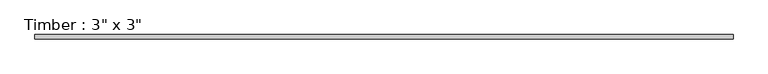
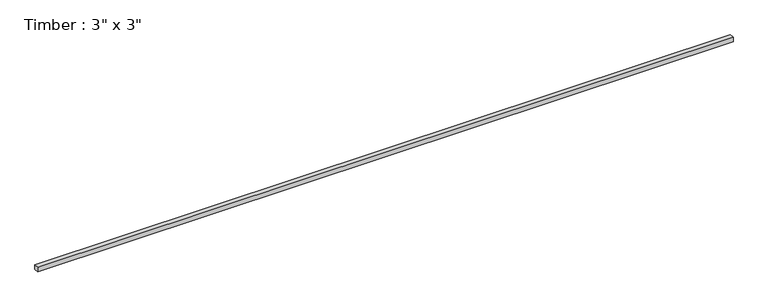
"""IFC4 building model written with IfcOpenShell, lengths in millimetres: beam geometry."""

from ifc_helpers import new_model, si_unit, frame, origin, place, context, project, spatial, polyline, outline, extrude, source, transform, mapped, element, save


def beam_804ad432(model_context):
    return source(origin(), model_context, "Body", "SweptSolid", [
        extrude(outline(polyline([(5876.925, 38.1), (5876.925, -38.1), (-5876.925, -38.1), (-5876.925, 38.1), (5876.925, 38.1)])), frame((0.0, 0.0, -38.1), z_axis=(0.0, 0.0, 1.0), x_axis=(1.0, 0.0, 0.0)), (0.0, 0.0, 1.0), 76.2),
    ])


if __name__ == "__main__":
    model = new_model("IFC4")
    model_context = context("Model", 3, world=origin())
    ifc_project = project(units=[si_unit("LENGTHUNIT", "METRE", prefix="MILLI")], contexts=[model_context])
    site = spatial("IfcSite", under=ifc_project)
    building = spatial("IfcBuilding", under=site)
    placement = place(None, origin())
    beam_shape = beam_804ad432(model_context)
    element("IfcBeam", 1, ObjectType="Timber : 3\" x 3\"", at=placement, inside=building, context=model_context, shape_type="MappedRepresentation", body=[
        mapped(beam_shape, transform((0.0, 0.0, 0.0), x_axis=(1.0, 0.0, 0.0), y_axis=(0.0, 1.0, 0.0), z_axis=(0.0, 0.0, 1.0))),
    ])
    save(model, "model.ifc")
